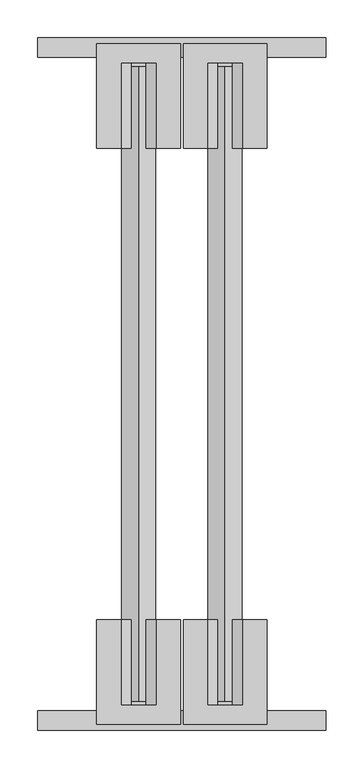
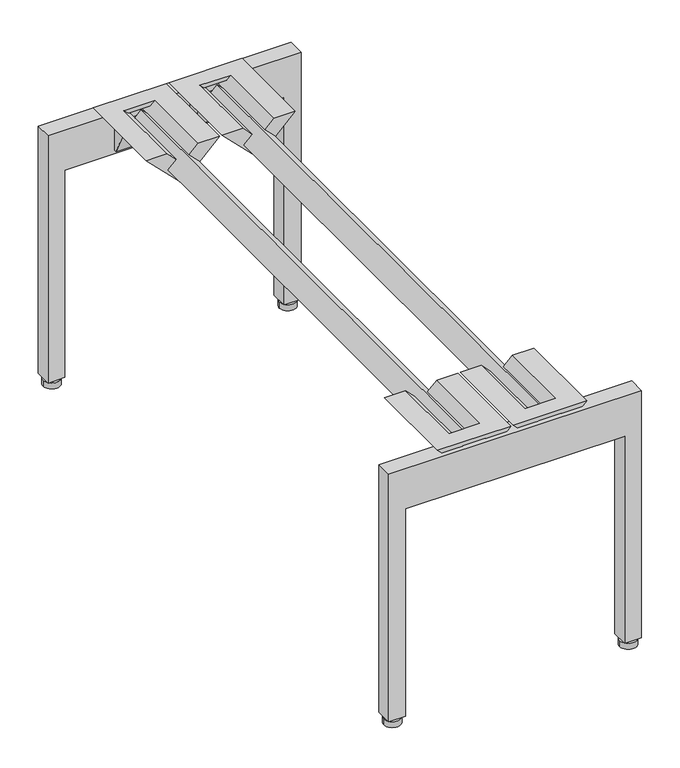
"""IFC4 building model written with IfcOpenShell, lengths in millimetres: furniture geometry."""

from ifc_helpers import new_model, si_unit, point, frame, frame_2d, origin, origin_with_axes, place, context, project, spatial, polyline, circle_curve, trimmed, segment, composite_curve, outline, extrude, faceted_brep, source, transform, mapped, element, save


def furniture_9285e2b0(model_context):
    return source(origin(), model_context, "Body", "SolidModel", [
        extrude(outline(composite_curve([segment(trimmed(circle_curve(frame_2d((368.2999996, -901.6999999)), 3.9687499), [point((372.2687495, -901.6999999))], [point((364.3312497, -901.6999999))], False, "CARTESIAN"), True, "CONTINUOUS"), segment(trimmed(circle_curve(frame_2d((368.2999996, -901.6999999)), 3.9687499), [point((364.3312497, -901.6999999))], [point((372.2687495, -901.6999999))], False, "CARTESIAN"), True, "CONTINUOUS")], self_intersect=False)), frame((0.0, 0.0, 9.525), z_axis=(0.0, 0.0, 1.0), x_axis=(1.0, 0.0, 0.0)), (0.0, 0.0, 1.0), 3.1750004),
        extrude(outline(composite_curve([segment(trimmed(circle_curve(frame_2d((368.2999996, -901.6999996)), 12.7000004), [point((381.0, -901.6999996))], [point((355.5999992, -901.6999996))], False, "CARTESIAN"), True, "CONTINUOUS"), segment(trimmed(circle_curve(frame_2d((368.2999996, -901.6999996)), 12.7000004), [point((355.5999992, -901.6999996))], [point((381.0, -901.6999996))], False, "CARTESIAN"), True, "CONTINUOUS")], self_intersect=False)), origin_with_axes(), (0.0, 0.0, 1.0), 9.525),
        faceted_brep([(192.4050254, -768.3522285, 412.7499879), (224.1549952, -768.3522285, 412.7499879), (237.8993597, -768.3522285, 399.0056233), (225.1993586, -768.3522285, 386.3056404), (247.6500091, -768.3522285, 363.8549982), (270.1006464, -768.3522285, 386.3056355), (257.4006403, -768.3522285, 399.0056233), (271.1450048, -768.3522285, 412.7499879), (302.8949746, -768.3522285, 412.7499879), (247.65, -768.3522285, 357.5050133), (192.4050254, -906.7847672, 412.7499879), (247.65, -906.7847672, 357.5050133), (302.8949746, -906.7847672, 412.7499879), (257.4006403, -906.7847672, 399.0056233), (270.1006464, -906.7847672, 386.3056355), (247.6500091, -906.7847672, 363.8549982), (225.1993586, -906.7847672, 386.3056404), (237.8993597, -906.7847672, 399.0056233), (230.5049709, -906.7847672, 406.4000121), (264.7950291, -906.7847672, 406.4000121), (247.65, -879.9509835, 357.5050133), (214.2753111, -863.989187, 390.8797022), (214.2753111, -888.9999992, 390.8797022), (247.65, -888.9999992, 357.5050133), (280.9503111, -888.9999992, 390.8053245), (280.9503111, -864.024759, 390.8053245), (270.1006464, -888.9999992, 386.3056355), (247.6500091, -888.9999992, 363.8549982), (247.6500091, -876.9140364, 363.8549982), (270.1006464, -866.1767826, 386.3056355), (225.1993586, -888.9999992, 386.3056404), (225.1993586, -866.1767803, 386.3056404), (271.1450048, -881.3822252, 412.7499879), (224.1549952, -881.3822252, 412.7499879), (264.7950291, -881.3822252, 406.4000121), (264.7128134, -863.5999985, 391.6934607), (264.7128134, -888.9999992, 391.6934607), (230.5871866, -888.9999992, 391.6934607), (230.5871866, -863.5999985, 391.6934607), (230.5049709, -881.3822252, 406.4000121), (280.9503111, -883.9199995, 349.2061558), (280.9503111, -888.9999992, 349.2061558), (214.2753111, -888.9999992, 349.2061558), (214.2753111, -883.9199995, 349.2061558)], [[[0, 1, 2, 3, 4, 5, 6, 7, 8, 9]], [[10, 11, 12], [13, 14, 15, 16, 17, 18, 19]], [[9, 20, 21, 22, 23, 11, 10, 0]], [[12, 11, 23, 24, 25, 20, 9, 8]], [[14, 26, 27, 15]], [[4, 28, 29, 5]], [[15, 27, 30, 16]], [[3, 31, 28, 4]], [[7, 32, 33, 1, 0, 10, 12, 8]], [[6, 13, 19, 34, 32, 7]], [[5, 29, 35, 36, 26, 14, 13, 6]], [[2, 17, 16, 30, 37, 38, 31, 3]], [[1, 33, 39, 18, 17, 2]], [[40, 25, 24, 41]], [[42, 22, 21, 43]], [[37, 30, 27, 26, 36]], [[41, 24, 23, 22, 42]], [[36, 35, 38, 37]], [[35, 29, 28, 31, 38]], [[43, 21, 20, 25, 40]], [[41, 42, 43, 40]], [[32, 34, 39, 33]], [[18, 39, 34, 19]]]),
        faceted_brep([(78.1050254, -768.3522285, 412.7499879), (109.8550042, -768.3522285, 412.7499879), (123.5993597, -768.3522285, 399.0056233), (110.8993631, -768.3522285, 386.3056358), (133.3500091, -768.3522285, 363.8549982), (155.8006464, -768.3522285, 386.3056355), (143.1006403, -768.3522285, 399.0056233), (156.8450048, -768.3522285, 412.7499879), (188.5949746, -768.3522285, 412.7499879), (133.35, -768.3522285, 357.5050133), (78.1050254, -906.7847672, 412.7499879), (133.35, -906.7847672, 357.5050133), (188.5949746, -906.7847672, 412.7499879), (143.1006403, -906.7847672, 399.0056233), (155.8006464, -906.7847672, 386.3056355), (133.3500091, -906.7847672, 363.8549982), (110.8993631, -906.7847672, 386.3056358), (123.5993597, -906.7847672, 399.0056233), (116.2049758, -906.7847672, 406.4000121), (150.4950291, -906.7847672, 406.4000121), (133.35, -879.9509835, 357.5050133), (99.9753021, -863.9891827, 390.8797113), (99.9753021, -888.9999992, 390.8797113), (133.35, -888.9999992, 357.5050133), (166.6503111, -888.9999992, 390.8053245), (166.6503111, -864.024759, 390.8053245), (155.8006464, -888.9999992, 386.3056355), (133.3500091, -888.9999992, 363.8549982), (133.3500091, -876.9140364, 363.8549982), (155.8006464, -866.1767826, 386.3056355), (110.8993631, -888.9999992, 386.3056358), (110.8993631, -866.1767825, 386.3056358), (156.8450048, -881.3822252, 412.7499879), (109.8550042, -881.3822252, 412.7499879), (150.4950291, -881.3822252, 406.4000121), (150.4128134, -863.5999985, 391.6934607), (150.4128134, -888.9999992, 391.6934607), (116.2871918, -888.9999992, 391.6934607), (116.2871918, -863.5999985, 391.6934607), (116.2049758, -881.3822252, 406.4000121), (166.6503111, -883.9199995, 349.2061558), (166.6503111, -888.9999992, 349.2061558), (99.9753021, -888.9999992, 349.2061558), (99.9753021, -883.9199995, 349.2061558)], [[[0, 1, 2, 3, 4, 5, 6, 7, 8, 9]], [[10, 11, 12], [13, 14, 15, 16, 17, 18, 19]], [[9, 20, 21, 22, 23, 11, 10, 0]], [[12, 11, 23, 24, 25, 20, 9, 8]], [[14, 26, 27, 15]], [[4, 28, 29, 5]], [[15, 27, 30, 16]], [[3, 31, 28, 4]], [[7, 32, 33, 1, 0, 10, 12, 8]], [[6, 13, 19, 34, 32, 7]], [[5, 29, 35, 36, 26, 14, 13, 6]], [[2, 17, 16, 30, 37, 38, 31, 3]], [[1, 33, 39, 18, 17, 2]], [[40, 25, 24, 41]], [[42, 22, 21, 43]], [[37, 30, 27, 26, 36]], [[41, 24, 23, 22, 42]], [[36, 35, 38, 37]], [[35, 29, 28, 31, 38]], [[43, 21, 20, 25, 40]], [[41, 42, 43, 40]], [[32, 34, 39, 33]], [[18, 39, 34, 19]]]),
        extrude(outline(polyline([(12.7000004, 0.0), (12.7000004, 25.4000008), (342.9, 25.4000008), (342.9, 355.5999879), (12.7000004, 355.5999879), (12.7000004, 381.0), (406.4000121, 381.0), (406.4000121, 0.0), (12.7000004, 0.0)])), frame((0.0, -914.4, 0.0), z_axis=(0.0, 1.0, 0.0), x_axis=(0.0, 0.0, 1.0)), (0.0, 0.0, 1.0), 25.4000008),
        extrude(outline(composite_curve([segment(trimmed(circle_curve(frame_2d((12.7000004, -901.6999999)), 3.9687499), [point((16.6687503, -901.6999999))], [point((8.7312505, -901.6999999))], False, "CARTESIAN"), True, "CONTINUOUS"), segment(trimmed(circle_curve(frame_2d((12.7000004, -901.6999999)), 3.9687499), [point((8.7312505, -901.6999999))], [point((16.6687503, -901.6999999))], False, "CARTESIAN"), True, "CONTINUOUS")], self_intersect=False)), frame((0.0, 0.0, 9.525), z_axis=(0.0, 0.0, 1.0), x_axis=(1.0, 0.0, 0.0)), (0.0, 0.0, 1.0), 3.1750004),
        extrude(outline(composite_curve([segment(trimmed(circle_curve(frame_2d((12.7000004, -901.6999996)), 12.7000004), [point((25.4000008, -901.6999996))], [point((0.0, -901.6999996))], False, "CARTESIAN"), True, "CONTINUOUS"), segment(trimmed(circle_curve(frame_2d((12.7000004, -901.6999996)), 12.7000004), [point((0.0, -901.6999996))], [point((25.4000008, -901.6999996))], False, "CARTESIAN"), True, "CONTINUOUS")], self_intersect=False)), origin_with_axes(), (0.0, 0.0, 1.0), 9.525),
        extrude(outline(composite_curve([segment(trimmed(circle_curve(frame_2d((368.2999996, -12.7000001)), 3.9687499), [point((372.2687495, -12.7000001))], [point((364.3312497, -12.7000001))], False, "CARTESIAN"), True, "CONTINUOUS"), segment(trimmed(circle_curve(frame_2d((368.2999996, -12.7000001)), 3.9687499), [point((364.3312497, -12.7000001))], [point((372.2687495, -12.7000001))], False, "CARTESIAN"), True, "CONTINUOUS")], self_intersect=False)), frame((0.0, 0.0, 9.525), z_axis=(0.0, 0.0, 1.0), x_axis=(1.0, 0.0, 0.0)), (0.0, 0.0, 1.0), 3.1750004),
        extrude(outline(composite_curve([segment(trimmed(circle_curve(frame_2d((368.2999996, -12.7000004)), 12.7000004), [point((381.0, -12.7000004))], [point((355.5999992, -12.7000004))], False, "CARTESIAN"), True, "CONTINUOUS"), segment(trimmed(circle_curve(frame_2d((368.2999996, -12.7000004)), 12.7000004), [point((355.5999992, -12.7000004))], [point((381.0, -12.7000004))], False, "CARTESIAN"), True, "CONTINUOUS")], self_intersect=False)), origin_with_axes(), (0.0, 0.0, 1.0), 9.525),
        faceted_brep([(192.4050254, -146.0477715, 412.7499879), (247.65, -146.0477715, 357.5050133), (302.8949746, -146.0477715, 412.7499879), (271.1450048, -146.0477715, 412.7499879), (257.4006403, -146.0477715, 399.0056233), (270.1006464, -146.0477715, 386.3056355), (247.6500091, -146.0477715, 363.8549982), (225.1993586, -146.0477715, 386.3056404), (237.8993597, -146.0477715, 399.0056233), (224.1549952, -146.0477715, 412.7499879), (192.4050254, -7.6152328, 412.7499879), (302.8949746, -7.6152328, 412.7499879), (247.65, -7.6152328, 357.5050133), (257.4006403, -7.6152328, 399.0056233), (264.7950291, -7.6152328, 406.4000121), (230.5049709, -7.6152328, 406.4000121), (237.8993597, -7.6152328, 399.0056233), (225.1993586, -7.6152328, 386.3056404), (247.6500091, -7.6152328, 363.8549982), (270.1006464, -7.6152328, 386.3056355), (247.65, -25.4000008, 357.5050133), (214.2753111, -25.4000008, 390.8797022), (214.2753111, -50.410813, 390.8797022), (247.65, -34.4490165, 357.5050133), (280.9503111, -50.375241, 390.8053245), (280.9503111, -25.4000008, 390.8053245), (270.1006464, -48.2232174, 386.3056355), (247.6500091, -37.4859636, 363.8549982), (247.6500091, -25.4000008, 363.8549982), (270.1006464, -25.4000008, 386.3056355), (225.1993586, -48.2232197, 386.3056404), (225.1993586, -25.4000008, 386.3056404), (224.1549952, -33.0177748, 412.7499879), (271.1450048, -33.0177748, 412.7499879), (264.7950291, -33.0177748, 406.4000121), (264.7128134, -25.4000008, 391.6934607), (264.7128134, -50.8000015, 391.6934607), (230.5871866, -50.8000015, 391.6934607), (230.5871866, -25.4000008, 391.6934607), (230.5049709, -33.0177748, 406.4000121), (280.9503111, -30.4800005, 349.2061558), (280.9503111, -25.4000008, 349.2061558), (214.2753111, -25.4000008, 349.2061558), (214.2753111, -30.4800005, 349.2061558)], [[[0, 1, 2, 3, 4, 5, 6, 7, 8, 9]], [[10, 11, 12], [13, 14, 15, 16, 17, 18, 19]], [[1, 0, 10, 12, 20, 21, 22, 23]], [[11, 2, 1, 23, 24, 25, 20, 12]], [[6, 5, 26, 27]], [[19, 18, 28, 29]], [[7, 6, 27, 30]], [[18, 17, 31, 28]], [[3, 2, 11, 10, 0, 9, 32, 33]], [[4, 3, 33, 34, 14, 13]], [[5, 4, 13, 19, 29, 35, 36, 26]], [[8, 7, 30, 37, 38, 31, 17, 16]], [[9, 8, 16, 15, 39, 32]], [[40, 41, 25, 24]], [[42, 43, 22, 21]], [[41, 42, 21, 20, 25]], [[38, 35, 29, 28, 31]], [[35, 38, 37, 36]], [[36, 37, 30, 27, 26]], [[43, 40, 24, 23, 22]], [[41, 40, 43, 42]], [[33, 32, 39, 34]], [[15, 14, 34, 39]]]),
        faceted_brep([(78.1050254, -146.0477715, 412.7499879), (133.35, -146.0477715, 357.5050133), (188.5949746, -146.0477715, 412.7499879), (156.8450048, -146.0477715, 412.7499879), (143.1006403, -146.0477715, 399.0056233), (155.8006464, -146.0477715, 386.3056355), (133.3500091, -146.0477715, 363.8549982), (110.8993631, -146.0477715, 386.3056358), (123.5993597, -146.0477715, 399.0056233), (109.8550042, -146.0477715, 412.7499879), (78.1050254, -7.6152328, 412.7499879), (188.5949746, -7.6152328, 412.7499879), (133.35, -7.6152328, 357.5050133), (143.1006403, -7.6152328, 399.0056233), (150.4950291, -7.6152328, 406.4000121), (116.2049758, -7.6152328, 406.4000121), (123.5993597, -7.6152328, 399.0056233), (110.8993631, -7.6152328, 386.3056358), (133.3500091, -7.6152328, 363.8549982), (155.8006464, -7.6152328, 386.3056355), (133.35, -25.4000008, 357.5050133), (99.9753021, -25.4000008, 390.8797113), (99.9753021, -50.4108173, 390.8797113), (133.35, -34.4490165, 357.5050133), (166.6503111, -50.375241, 390.8053245), (166.6503111, -25.4000008, 390.8053245), (155.8006464, -48.2232174, 386.3056355), (133.3500091, -37.4859636, 363.8549982), (133.3500091, -25.4000008, 363.8549982), (155.8006464, -25.4000008, 386.3056355), (110.8993631, -48.2232175, 386.3056358), (110.8993631, -25.4000008, 386.3056358), (109.8550042, -33.0177748, 412.7499879), (156.8450048, -33.0177748, 412.7499879), (150.4950291, -33.0177748, 406.4000121), (150.4128134, -25.4000008, 391.6934607), (150.4128134, -50.8000015, 391.6934607), (116.2871918, -50.8000015, 391.6934607), (116.2871918, -25.4000008, 391.6934607), (116.2049758, -33.0177748, 406.4000121), (166.6503111, -30.4800005, 349.2061558), (166.6503111, -25.4000008, 349.2061558), (99.9753021, -25.4000008, 349.2061558), (99.9753021, -30.4800005, 349.2061558)], [[[0, 1, 2, 3, 4, 5, 6, 7, 8, 9]], [[10, 11, 12], [13, 14, 15, 16, 17, 18, 19]], [[1, 0, 10, 12, 20, 21, 22, 23]], [[11, 2, 1, 23, 24, 25, 20, 12]], [[6, 5, 26, 27]], [[19, 18, 28, 29]], [[7, 6, 27, 30]], [[18, 17, 31, 28]], [[3, 2, 11, 10, 0, 9, 32, 33]], [[4, 3, 33, 34, 14, 13]], [[5, 4, 13, 19, 29, 35, 36, 26]], [[8, 7, 30, 37, 38, 31, 17, 16]], [[9, 8, 16, 15, 39, 32]], [[40, 41, 25, 24]], [[42, 43, 22, 21]], [[41, 42, 21, 20, 25]], [[38, 35, 29, 28, 31]], [[35, 38, 37, 36]], [[36, 37, 30, 27, 26]], [[43, 40, 24, 23, 22]], [[41, 40, 43, 42]], [[33, 32, 39, 34]], [[15, 14, 34, 39]]]),
        extrude(outline(polyline([(12.7000004, 0.0), (12.7000004, 25.4000008), (342.9, 25.4000008), (342.9, 355.5999879), (12.7000004, 355.5999879), (12.7000004, 381.0), (406.4000121, 381.0), (406.4000121, 0.0), (12.7000004, 0.0)])), frame((0.0, -25.4000008, 0.0), z_axis=(0.0, 1.0, 0.0), x_axis=(0.0, 0.0, 1.0)), (0.0, 0.0, 1.0), 25.4000008),
        extrude(outline(composite_curve([segment(trimmed(circle_curve(frame_2d((12.7000004, -12.7000001)), 3.9687499), [point((16.6687503, -12.7000001))], [point((8.7312505, -12.7000001))], False, "CARTESIAN"), True, "CONTINUOUS"), segment(trimmed(circle_curve(frame_2d((12.7000004, -12.7000001)), 3.9687499), [point((8.7312505, -12.7000001))], [point((16.6687503, -12.7000001))], False, "CARTESIAN"), True, "CONTINUOUS")], self_intersect=False)), frame((0.0, 0.0, 9.525), z_axis=(0.0, 0.0, 1.0), x_axis=(1.0, 0.0, 0.0)), (0.0, 0.0, 1.0), 3.1750004),
        extrude(outline(composite_curve([segment(trimmed(circle_curve(frame_2d((12.7000004, -12.7000004)), 12.7000004), [point((25.4000008, -12.7000004))], [point((0.0, -12.7000004))], False, "CARTESIAN"), True, "CONTINUOUS"), segment(trimmed(circle_curve(frame_2d((12.7000004, -12.7000004)), 12.7000004), [point((0.0, -12.7000004))], [point((25.4000008, -12.7000004))], False, "CARTESIAN"), True, "CONTINUOUS")], self_intersect=False)), origin_with_axes(), (0.0, 0.0, 1.0), 9.525),
        extrude(outline(polyline([(408.7562532, 133.3499965), (386.3056358, 110.8993631), (363.8549982, 133.3500091), (386.3056355, 155.8006464), (408.7562532, 133.3499965)])), frame((0.0, -876.4051107, 0.0), z_axis=(0.0, 1.0, 0.0), x_axis=(0.0, 0.0, 1.0)), (0.0, 0.0, 1.0), 838.3051107),
        extrude(outline(polyline([(363.8549982, 247.6500091), (386.3056355, 270.1006464), (408.7562497, 247.65), (386.3056404, 225.1993586), (363.8549982, 247.6500091)])), frame((0.0, -876.4051107, 0.0), z_axis=(0.0, 1.0, 0.0), x_axis=(0.0, 0.0, 1.0)), (0.0, 0.0, 1.0), 838.3051107),
    ])


if __name__ == "__main__":
    model = new_model("IFC4")
    model_context = context("Model", 3, world=origin())
    ifc_project = project(units=[si_unit("LENGTHUNIT", "METRE", prefix="MILLI")], contexts=[model_context])
    site = spatial("IfcSite", under=ifc_project)
    building = spatial("IfcBuilding", under=site)
    placement = place(None, origin())
    furniture_shape = furniture_9285e2b0(model_context)
    element("IfcFurniture", 1, at=placement, inside=building, context=model_context, shape_type="MappedRepresentation", body=[
        mapped(furniture_shape, transform((0.0, 0.0, 0.0), x_axis=(1.0, 0.0, 0.0), y_axis=(0.0, 1.0, 0.0), z_axis=(0.0, 0.0, 1.0))),
    ])
    save(model, "model.ifc")
